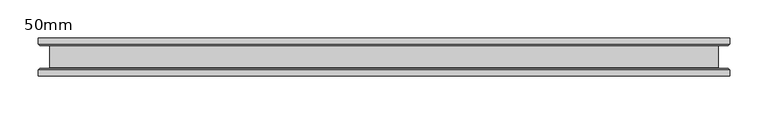
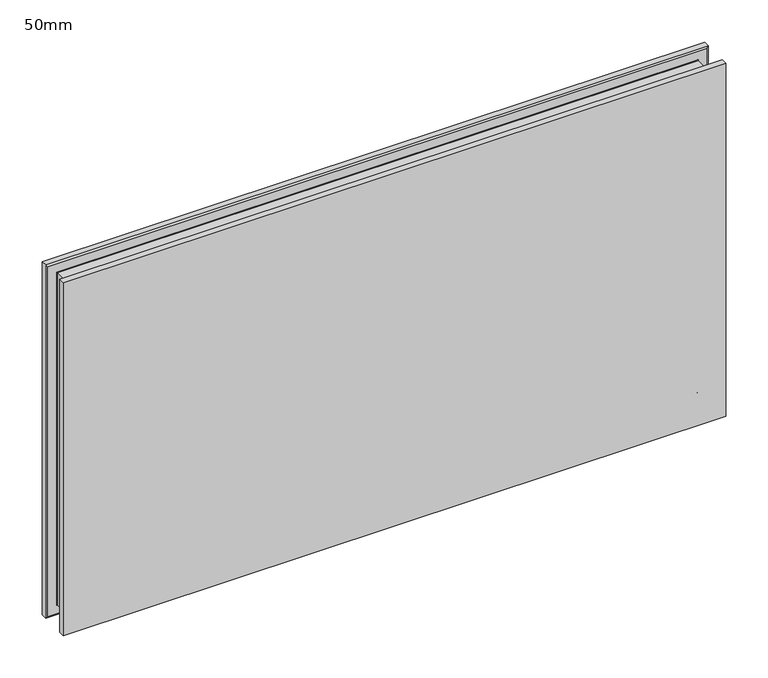
"""IFC4 building model written with IfcOpenShell, lengths in millimetres: plate geometry, 50mm."""

from ifc_helpers import new_model, si_unit, frame, origin, place, context, project, spatial, polyline, ellipse_curve, source, transform, mapped, element, save
from ifc_brep_helpers import plane_surface, revolved_surface, advanced_brep


def plate_50mm_e609bc4f(model_context):
    return source(origin(), model_context, "Body", "AdvancedBrep", [
        advanced_brep(
        [(453.5, 25.0, 497.5), (-453.5, 25.0, 497.5), (-453.5, 17.0, 497.5), (453.5, 17.0, 497.5), (-453.5, -25.0, 497.5), (453.5, -25.0, 497.5), (453.5, -17.0, 497.5), (-453.5, -17.0, 497.5), (453.5, -25.0, -13.5), (-453.5, -25.0, -13.5), (-453.5, -17.0, -13.5), (453.5, -17.0, -13.5), (-453.5, 25.0, -13.5), (453.5, 25.0, -13.5), (453.5, 17.0, -13.5), (-453.5, 17.0, -13.5), (-451.5, -15.0, -11.5), (451.5, -15.0, -11.5), (-438.5, -14.4, 1.5), (438.5, -14.4, 1.5), (439.1, -15.0, 0.9), (-439.1, -15.0, 0.9), (-438.5, 14.4, 1.5), (438.5, 14.4, 1.5), (-439.1, 15.0, 0.9), (439.1, 15.0, 0.9), (451.5, 15.0, -11.5), (-451.5, 15.0, -11.5), (451.5, -15.0, 495.5), (438.5, -14.4, 482.5), (439.1, -15.0, 483.1), (438.5, 14.4, 482.5), (439.1, 15.0, 483.1), (451.5, 15.0, 495.5), (-451.5, -15.0, 495.5), (-438.5, -14.4, 482.5), (-439.1, -15.0, 483.1), (-438.5, 14.4, 482.5), (-439.1, 15.0, 483.1), (-451.5, 15.0, 495.5)],
        [
            (0, 1),
            (1, 2),
            (2, 3),
            (3, 0),
            (4, 5),
            (5, 6),
            (6, 7),
            (7, 4),
            (8, 9),
            (9, 10),
            (10, 11),
            (11, 8),
            (12, 13),
            (13, 14),
            (14, 15),
            (15, 12),
            (0, 13),
            (12, 1),
            (15, 2),
            (9, 4),
            (7, 10),
            (8, 5),
            (3, 14),
            (11, 6),
            (16, 17),
            (17, 11),
            (10, 16),
            (18, 19),
            (19, 20, ellipse_curve(frame((439.1, -14.4, 0.9), z_axis=(0.7071067811865475, 0.0, 0.7071067811865475), x_axis=(-0.7071067811865476, 0.0, 0.7071067811865474)), 0.8485281, 0.6)),
            (20, 21),
            (21, 18, ellipse_curve(frame((-439.1, -14.4, 0.9), z_axis=(-0.7071067811865475, 0.0, 0.7071067811865475), x_axis=(-0.7071067811865476, 0.0, -0.7071067811865474)), 0.8485281, 0.6)),
            (18, 22),
            (22, 23),
            (23, 19),
            (22, 24, ellipse_curve(frame((-439.1, 14.4, 0.9), z_axis=(-0.7071067811865475, 0.0, 0.7071067811865475), x_axis=(-0.7071067811865476, 0.0, -0.7071067811865474)), 0.8485281, 0.6)),
            (24, 25),
            (25, 23, ellipse_curve(frame((439.1, 14.4, 0.9), z_axis=(0.7071067811865475, 0.0, 0.7071067811865475), x_axis=(-0.7071067811865476, 0.0, 0.7071067811865474)), 0.8485281, 0.6)),
            (14, 26),
            (26, 27),
            (27, 15),
            (17, 28),
            (28, 6),
            (19, 29),
            (29, 30, ellipse_curve(frame((439.1, -14.4, 483.1), z_axis=(-0.7071067811865475, 0.0, 0.7071067811865475), x_axis=(-0.7071067811865474, 0.0, -0.7071067811865476)), 0.8485281, 0.6)),
            (30, 20),
            (23, 31),
            (31, 29),
            (25, 32),
            (32, 31, ellipse_curve(frame((439.1, 14.4, 483.1), z_axis=(-0.7071067811865475, 0.0, 0.7071067811865475), x_axis=(-0.7071067811865474, 0.0, -0.7071067811865476)), 0.8485281, 0.6)),
            (3, 33),
            (33, 26),
            (28, 34),
            (34, 7),
            (29, 35),
            (35, 36, ellipse_curve(frame((-439.1, -14.4, 483.1), z_axis=(-0.7071067811865475, 0.0, -0.7071067811865475), x_axis=(0.7071067811865476, 0.0, -0.7071067811865474)), 0.8485281, 0.6)),
            (36, 30),
            (31, 37),
            (37, 35),
            (32, 38),
            (38, 37, ellipse_curve(frame((-439.1, 14.4, 483.1), z_axis=(-0.7071067811865475, 0.0, -0.7071067811865475), x_axis=(0.7071067811865476, 0.0, -0.7071067811865474)), 0.8485281, 0.6)),
            (2, 39),
            (39, 33),
            (34, 16),
            (36, 21),
            (35, 18),
            (37, 22),
            (38, 24),
            (39, 27),
        ],
        [
            plane_surface(frame((-453.5, 25.0, 497.5), z_axis=(0.0, 0.0, 1.0), x_axis=(-1.0, 0.0, 0.0))),
            plane_surface(frame((-453.5, 25.0, -13.5), z_axis=(0.0, 0.0, -1.0), x_axis=(1.0, 0.0, 0.0))),
            plane_surface(frame((453.5, 25.0, 497.5), z_axis=(0.0, 1.0, 0.0), x_axis=(0.0, 0.0, -1.0))),
            plane_surface(frame((-453.5, 25.0, 497.5), z_axis=(-1.0, 0.0, 0.0), x_axis=(0.0, 0.0, -1.0))),
            plane_surface(frame((-453.5, -25.0, 497.5), z_axis=(0.0, -1.0, 0.0), x_axis=(0.0, 0.0, -1.0))),
            plane_surface(frame((453.5, -25.0, 497.5), z_axis=(1.0, 0.0, 0.0), x_axis=(0.0, 0.0, -1.0))),
            plane_surface(frame((-453.5, -17.0, -13.5), z_axis=(0.0, 0.7071067811866751, -0.7071067811864199), x_axis=(1.0, 0.0, 0.0))),
            revolved_surface(polyline([(-439.6999999735374, -14.400000000002729, 1.5), (439.6999999735374, -14.400000000002729, 1.5)]), (-440.0, -14.4, 0.9), (-1.0, 0.0, 0.0)),
            plane_surface(frame((-438.5, -14.4, 1.5), z_axis=(0.0, 0.0, -1.0), x_axis=(1.0, 0.0, 0.0))),
            revolved_surface(polyline([(-439.6999999735374, 15.0, 0.9), (439.6999999735374, 15.0, 0.9)]), (-440.0, 14.4, 0.9), (-1.0, 0.0, 0.0)),
            plane_surface(frame((-451.5, 15.0, -11.5), z_axis=(0.0, -0.7071067811660012, -0.7071067812070939), x_axis=(1.0, 0.0, 0.0))),
            plane_surface(frame((453.5, -17.0, -13.5), z_axis=(0.7071067811864199, 0.7071067811866751, 0.0), x_axis=(0.0, 0.0, 1.0))),
            revolved_surface(polyline([(438.5, -14.400000000002729, 0.3000000264626632), (438.5, -14.400000000002729, 483.6999999735374)]), (439.1, -14.4, 0.0), (0.0, 0.0, -1.0)),
            plane_surface(frame((438.5, -14.4, 1.5), z_axis=(1.0, 0.0, 0.0), x_axis=(0.0, 0.0, 1.0))),
            revolved_surface(polyline([(439.1, 15.0, 0.3000000264626632), (439.1, 15.0, 483.6999999735374)]), (439.1, 14.4, 0.0), (0.0, 0.0, -1.0)),
            plane_surface(frame((451.5, 15.0, -11.5), z_axis=(0.7071067812070939, -0.7071067811660012, 0.0), x_axis=(0.0, 0.0, 1.0))),
            plane_surface(frame((453.5, -17.0, 497.5), z_axis=(0.0, 0.7071067811866751, 0.7071067811864199), x_axis=(-1.0, 0.0, 0.0))),
            revolved_surface(polyline([(439.6999999735374, -14.400000000002729, 482.5), (-439.6999999735374, -14.400000000002729, 482.5)]), (440.0, -14.4, 483.1), (1.0, 0.0, 0.0)),
            plane_surface(frame((438.5, -14.4, 482.5), z_axis=(0.0, 0.0, 1.0), x_axis=(-1.0, 0.0, 0.0))),
            revolved_surface(polyline([(439.6999999735374, 15.0, 483.1), (-439.6999999735374, 15.0, 483.1)]), (440.0, 14.4, 483.1), (1.0, 0.0, 0.0)),
            plane_surface(frame((451.5, 15.0, 495.5), z_axis=(0.0, -0.7071067811660012, 0.7071067812070939), x_axis=(-1.0, 0.0, 0.0))),
            plane_surface(frame((-453.5, -17.0, 497.5), z_axis=(-0.7071067811864199, 0.7071067811866751, 0.0), x_axis=(0.0, 0.0, -1.0))),
            plane_surface(frame((-451.5, -15.0, 495.5), z_axis=(0.0, 1.0, 0.0), x_axis=(0.0, 0.0, -1.0))),
            revolved_surface(polyline([(-438.5, -14.400000000002729, 483.6999999735374), (-438.5, -14.400000000002729, 0.30000002646261237)]), (-439.1, -14.4, 484.0), (0.0, 0.0, 1.0)),
            plane_surface(frame((-438.5, -14.4, 482.5), z_axis=(-1.0, 0.0, 0.0), x_axis=(0.0, 0.0, -1.0))),
            revolved_surface(polyline([(-439.1, 15.0, 483.6999999735374), (-439.1, 15.0, 0.30000002646261237)]), (-439.1, 14.4, 484.0), (0.0, 0.0, 1.0)),
            plane_surface(frame((-439.1, 15.0, 483.1), z_axis=(0.0, -1.0, 0.0), x_axis=(0.0, 0.0, -1.0))),
            plane_surface(frame((-451.5, 15.0, 495.5), z_axis=(-0.7071067812070939, -0.7071067811660012, 0.0), x_axis=(0.0, 0.0, -1.0))),
        ],
        [
            (0, [[1, 2, 3, 4]]),
            (0, [[5, 6, 7, 8]]),
            (1, [[9, 10, 11, 12]]),
            (1, [[13, 14, 15, 16]]),
            (2, [[-1, 17, -13, 18]]),
            (3, [[-18, -16, 19, -2]]),
            (3, [[20, -8, 21, -10]]),
            (4, [[-5, -20, -9, 22]]),
            (5, [[-17, -4, 23, -14]]),
            (5, [[-22, -12, 24, -6]]),
            (6, [[25, 26, -11, 27]]),
            (7, [[28, 29, 30, 31]]),
            (8, [[-28, 32, 33, 34]]),
            (9, [[-33, 35, 36, 37]]),
            (10, [[38, 39, 40, -15]]),
            (11, [[-26, 41, 42, -24]]),
            (12, [[-29, 43, 44, 45]]),
            (13, [[-34, 46, 47, -43]]),
            (14, [[-37, 48, 49, -46]]),
            (15, [[-38, -23, 50, 51]]),
            (16, [[-42, 52, 53, -7]]),
            (17, [[-44, 54, 55, 56]]),
            (18, [[-47, 57, 58, -54]]),
            (19, [[-49, 59, 60, -57]]),
            (20, [[-50, -3, 61, 62]]),
            (21, [[-27, -21, -53, 63]]),
            (22, [[-25, -63, -52, -41], [-30, -45, -56, 64]]),
            (23, [[-31, -64, -55, 65]]),
            (24, [[-32, -65, -58, 66]]),
            (25, [[-35, -66, -60, 67]]),
            (26, [[-39, -51, -62, 68], [-36, -67, -59, -48]]),
            (27, [[-40, -68, -61, -19]]),
        ],
    ),
    ])


if __name__ == "__main__":
    model = new_model("IFC4")
    model_context = context("Model", 3, world=origin())
    ifc_project = project(units=[si_unit("LENGTHUNIT", "METRE", prefix="MILLI")], contexts=[model_context])
    site = spatial("IfcSite", under=ifc_project)
    building = spatial("IfcBuilding", under=site)
    placement = place(None, origin())
    plate_50mm_shape = plate_50mm_e609bc4f(model_context)
    element("IfcPlate", 1, ObjectType="50mm", at=placement, inside=building, context=model_context, shape_type="MappedRepresentation", body=[
        mapped(plate_50mm_shape, transform((0.0, 0.0, 0.0), x_axis=(1.0, 0.0, 0.0), y_axis=(0.0, 1.0, 0.0), z_axis=(0.0, 0.0, 1.0))),
    ])
    save(model, "model.ifc")
